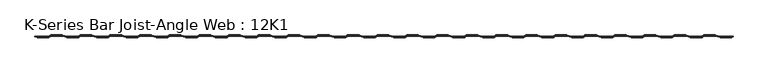
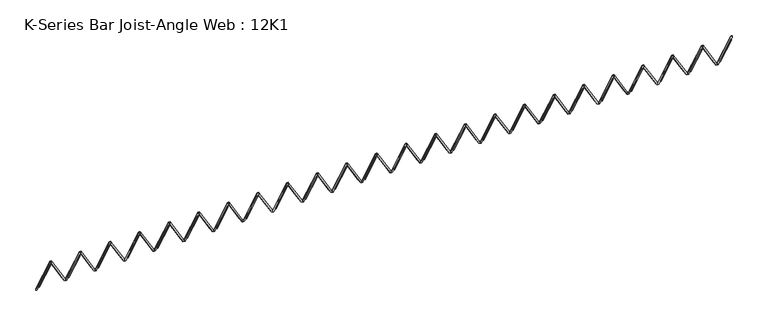
"""IFC4 building model written with IfcOpenShell, lengths in millimetres: beam geometry, K-Series Bar Joist-Angle Web : 12K1."""

from ifc_helpers import new_model, si_unit, frame, origin, place, context, project, spatial, polyline, outline, extrude, faceted_brep, source, transform, mapped, element, save


def k_series_bar_joist_angle_web_12k1_2a9294c6(model_context):
    return source(origin(), model_context, "Body", "SolidModel", [
        faceted_brep([(-2980.9807229, 0.0, -130.175), (-2980.9807229, 0.0, -149.225), (-2980.9807229, -4.7625, -149.225), (-2980.9807229, -4.7625, -130.175), (-2980.1072119, 0.0, -130.175), (-2817.4554047, 0.0, 149.225), (-2799.2789157, 0.0, 149.225), (-2799.2789157, 0.0, 130.175), (-2806.5024267, 0.0, 130.175), (-2969.1542339, 0.0, -149.225), (-2969.1542339, -4.7625, -149.225), (-2948.822758, -4.7625, -114.3), (-2952.938629, -4.7625, -111.903959), (-2819.8598776, -4.7625, 116.696041), (-2815.7440066, -4.7625, 114.3), (-2806.5024267, -4.7625, 130.175), (-2799.2789157, -4.7625, 130.175), (-2799.2789157, -4.7625, 149.225), (-2817.4554047, -4.7625, 149.225), (-2980.1072119, -4.7625, -130.175), (-2815.7440066, -17.4625, 114.3), (-2948.822758, -17.4625, -114.3), (-2952.938629, -17.4625, -111.903959), (-2819.8598776, -17.4625, 116.696041)], [[[0, 1, 2, 3]], [[1, 0, 4, 5, 6, 7, 8, 9]], [[2, 1, 9, 10]], [[3, 2, 10, 11, 12, 13, 14, 15, 16, 17, 18, 19]], [[0, 3, 19, 4]], [[9, 8, 15, 14, 20, 21, 11, 10]], [[5, 4, 19, 18]], [[7, 6, 17, 16]], [[8, 7, 16, 15]], [[6, 5, 18, 17]], [[21, 22, 12, 11]], [[20, 14, 13, 23]], [[22, 21, 20, 23]], [[12, 22, 23, 13]]]),
        extrude(outline(polyline([(-4.7625, 4.7625), (-4.7625, 0.0), (-17.4625, 0.0), (-17.4625, 4.7625), (-4.7625, 4.7625)])), frame((-3013.1386878, 0.0, -114.3), z_axis=(-0.5031057189221613, 0.0, 0.8642248755895744), x_axis=(0.0, -1.0, 0.0)), (0.0, 0.0, 1.0), 264.5144874),
        extrude(outline(polyline([(-149.225, -2980.9807229), (-130.175, -2980.9807229), (-130.175, -2981.8542339), (149.225, -3144.5060411), (149.225, -3162.6825301), (130.175, -3162.6825301), (130.175, -3155.4590191), (-149.225, -2992.8072119), (-149.225, -2980.9807229)])), frame((0.0, 0.0, 0.0), z_axis=(0.0, 1.0, 0.0), x_axis=(0.0, 0.0, 1.0)), (0.0, 0.0, 1.0), 4.7625),
        faceted_brep([(-3331.6843373, 0.0, -130.175), (-3331.6843373, 0.0, -149.225), (-3331.6843373, -4.7625, -149.225), (-3331.6843373, -4.7625, -130.175), (-3330.8108264, 0.0, -130.175), (-3168.1590191, 0.0, 149.225), (-3149.9825301, 0.0, 149.225), (-3149.9825301, 0.0, 130.175), (-3157.2060411, 0.0, 130.175), (-3319.8578483, 0.0, -149.225), (-3319.8578483, -4.7625, -149.225), (-3299.5263724, -4.7625, -114.3), (-3303.6422434, -4.7625, -111.903959), (-3170.563492, -4.7625, 116.696041), (-3166.4476211, -4.7625, 114.3), (-3157.2060411, -4.7625, 130.175), (-3149.9825301, -4.7625, 130.175), (-3149.9825301, -4.7625, 149.225), (-3168.1590191, -4.7625, 149.225), (-3330.8108264, -4.7625, -130.175), (-3166.4476211, -17.4625, 114.3), (-3299.5263724, -17.4625, -114.3), (-3303.6422434, -17.4625, -111.903959), (-3170.563492, -17.4625, 116.696041)], [[[0, 1, 2, 3]], [[1, 0, 4, 5, 6, 7, 8, 9]], [[2, 1, 9, 10]], [[3, 2, 10, 11, 12, 13, 14, 15, 16, 17, 18, 19]], [[0, 3, 19, 4]], [[9, 8, 15, 14, 20, 21, 11, 10]], [[5, 4, 19, 18]], [[7, 6, 17, 16]], [[8, 7, 16, 15]], [[6, 5, 18, 17]], [[21, 22, 12, 11]], [[20, 14, 13, 23]], [[22, 21, 20, 23]], [[12, 22, 23, 13]]]),
        extrude(outline(polyline([(-4.7625, 4.7625), (-4.7625, 0.0), (-17.4625, 0.0), (-17.4625, 4.7625), (-4.7625, 4.7625)])), frame((-3363.8423023, 0.0, -114.3), z_axis=(-0.5031057189221613, 0.0, 0.8642248755895744), x_axis=(0.0, -1.0, 0.0)), (0.0, 0.0, 1.0), 264.5144874),
        extrude(outline(polyline([(-149.225, -3331.6843373), (-130.175, -3331.6843373), (-130.175, -3332.5578483), (149.225, -3495.2096556), (149.225, -3513.3861446), (130.175, -3513.3861446), (130.175, -3506.1626336), (-149.225, -3343.5108264), (-149.225, -3331.6843373)])), frame((0.0, 0.0, 0.0), z_axis=(0.0, 1.0, 0.0), x_axis=(0.0, 0.0, 1.0)), (0.0, 0.0, 1.0), 4.7625),
        faceted_brep([(-3682.3879518, 0.0, -130.175), (-3682.3879518, 0.0, -149.225), (-3682.3879518, -4.7625, -149.225), (-3682.3879518, -4.7625, -130.175), (-3681.5144408, 0.0, -130.175), (-3518.8626336, 0.0, 149.225), (-3500.6861446, 0.0, 149.225), (-3500.6861446, 0.0, 130.175), (-3507.9096556, 0.0, 130.175), (-3670.5614628, 0.0, -149.225), (-3670.5614628, -4.7625, -149.225), (-3650.2299869, -4.7625, -114.3), (-3654.3458579, -4.7625, -111.903959), (-3521.2671065, -4.7625, 116.696041), (-3517.1512355, -4.7625, 114.3), (-3507.9096556, -4.7625, 130.175), (-3500.6861446, -4.7625, 130.175), (-3500.6861446, -4.7625, 149.225), (-3518.8626336, -4.7625, 149.225), (-3681.5144408, -4.7625, -130.175), (-3517.1512355, -17.4625, 114.3), (-3650.2299869, -17.4625, -114.3), (-3654.3458579, -17.4625, -111.903959), (-3521.2671065, -17.4625, 116.696041)], [[[0, 1, 2, 3]], [[1, 0, 4, 5, 6, 7, 8, 9]], [[2, 1, 9, 10]], [[3, 2, 10, 11, 12, 13, 14, 15, 16, 17, 18, 19]], [[0, 3, 19, 4]], [[9, 8, 15, 14, 20, 21, 11, 10]], [[5, 4, 19, 18]], [[7, 6, 17, 16]], [[8, 7, 16, 15]], [[6, 5, 18, 17]], [[21, 22, 12, 11]], [[20, 14, 13, 23]], [[22, 21, 20, 23]], [[12, 22, 23, 13]]]),
        extrude(outline(polyline([(-4.7625, 4.7625), (-4.7625, 0.0), (-17.4625, 0.0), (-17.4625, 4.7625), (-4.7625, 4.7625)])), frame((-3714.5459167, 0.0, -114.3), z_axis=(-0.5031057189221613, 0.0, 0.8642248755895744), x_axis=(0.0, -1.0, 0.0)), (0.0, 0.0, 1.0), 264.5144874),
        extrude(outline(polyline([(-149.225, -3682.3879518), (-130.175, -3682.3879518), (-130.175, -3683.2614628), (149.225, -3845.91327), (149.225, -3864.089759), (130.175, -3864.089759), (130.175, -3856.866248), (-149.225, -3694.2144408), (-149.225, -3682.3879518)])), frame((0.0, 0.0, 0.0), z_axis=(0.0, 1.0, 0.0), x_axis=(0.0, 0.0, 1.0)), (0.0, 0.0, 1.0), 4.7625),
        faceted_brep([(-4033.0915663, 0.0, -130.175), (-4033.0915663, 0.0, -149.225), (-4033.0915663, -4.7625, -149.225), (-4033.0915663, -4.7625, -130.175), (-4032.2180553, 0.0, -130.175), (-3869.566248, 0.0, 149.225), (-3851.389759, 0.0, 149.225), (-3851.389759, 0.0, 130.175), (-3858.61327, 0.0, 130.175), (-4021.2650773, 0.0, -149.225), (-4021.2650773, -4.7625, -149.225), (-4000.9336014, -4.7625, -114.3), (-4005.0494723, -4.7625, -111.903959), (-3871.970721, -4.7625, 116.696041), (-3867.85485, -4.7625, 114.3), (-3858.61327, -4.7625, 130.175), (-3851.389759, -4.7625, 130.175), (-3851.389759, -4.7625, 149.225), (-3869.566248, -4.7625, 149.225), (-4032.2180553, -4.7625, -130.175), (-3867.85485, -17.4625, 114.3), (-4000.9336014, -17.4625, -114.3), (-4005.0494723, -17.4625, -111.903959), (-3871.970721, -17.4625, 116.696041)], [[[0, 1, 2, 3]], [[1, 0, 4, 5, 6, 7, 8, 9]], [[2, 1, 9, 10]], [[3, 2, 10, 11, 12, 13, 14, 15, 16, 17, 18, 19]], [[0, 3, 19, 4]], [[9, 8, 15, 14, 20, 21, 11, 10]], [[5, 4, 19, 18]], [[7, 6, 17, 16]], [[8, 7, 16, 15]], [[6, 5, 18, 17]], [[21, 22, 12, 11]], [[20, 14, 13, 23]], [[22, 21, 20, 23]], [[12, 22, 23, 13]]]),
        extrude(outline(polyline([(-4.7625, 4.7625), (-4.7625, 0.0), (-17.4625, 0.0), (-17.4625, 4.7625), (-4.7625, 4.7625)])), frame((-4065.2495312, 0.0, -114.3), z_axis=(-0.5031057189221613, 0.0, 0.8642248755895744), x_axis=(0.0, -1.0, 0.0)), (0.0, 0.0, 1.0), 264.5144874),
        extrude(outline(polyline([(-149.225, -4033.0915663), (-130.175, -4033.0915663), (-130.175, -4033.9650773), (149.225, -4196.6168845), (149.225, -4214.7933735), (130.175, -4214.7933735), (130.175, -4207.5698625), (-149.225, -4044.9180553), (-149.225, -4033.0915663)])), frame((0.0, 0.0, 0.0), z_axis=(0.0, 1.0, 0.0), x_axis=(0.0, 0.0, 1.0)), (0.0, 0.0, 1.0), 4.7625),
        faceted_brep([(-4383.7951807, 0.0, -130.175), (-4383.7951807, 0.0, -149.225), (-4383.7951807, -4.7625, -149.225), (-4383.7951807, -4.7625, -130.175), (-4382.9216697, 0.0, -130.175), (-4220.2698625, 0.0, 149.225), (-4202.0933735, 0.0, 149.225), (-4202.0933735, 0.0, 130.175), (-4209.3168845, 0.0, 130.175), (-4371.9686917, 0.0, -149.225), (-4371.9686917, -4.7625, -149.225), (-4351.6372158, -4.7625, -114.3), (-4355.7530868, -4.7625, -111.903959), (-4222.6743354, -4.7625, 116.696041), (-4218.5584644, -4.7625, 114.3), (-4209.3168845, -4.7625, 130.175), (-4202.0933735, -4.7625, 130.175), (-4202.0933735, -4.7625, 149.225), (-4220.2698625, -4.7625, 149.225), (-4382.9216697, -4.7625, -130.175), (-4218.5584644, -17.4625, 114.3), (-4351.6372158, -17.4625, -114.3), (-4355.7530868, -17.4625, -111.903959), (-4222.6743354, -17.4625, 116.696041)], [[[0, 1, 2, 3]], [[1, 0, 4, 5, 6, 7, 8, 9]], [[2, 1, 9, 10]], [[3, 2, 10, 11, 12, 13, 14, 15, 16, 17, 18, 19]], [[0, 3, 19, 4]], [[9, 8, 15, 14, 20, 21, 11, 10]], [[5, 4, 19, 18]], [[7, 6, 17, 16]], [[8, 7, 16, 15]], [[6, 5, 18, 17]], [[21, 22, 12, 11]], [[20, 14, 13, 23]], [[22, 21, 20, 23]], [[12, 22, 23, 13]]]),
        extrude(outline(polyline([(-4.7625, 4.7624999), (-4.7625, 0.0), (-17.4625, 0.0), (-17.4625, 4.7624999), (-4.7625, 4.7624999)])), frame((-4415.9531456, 0.0, -114.3), z_axis=(-0.5031057189221613, 0.0, 0.8642248755895744), x_axis=(0.0, -1.0, 0.0)), (0.0, 0.0, 1.0), 264.5144874),
        extrude(outline(polyline([(-149.225, -4383.7951807), (-130.175, -4383.7951807), (-130.175, -4384.6686917), (149.225, -4547.3204989), (149.225, -4565.496988), (130.175, -4565.496988), (130.175, -4558.273477), (-149.225, -4395.6216697), (-149.225, -4383.7951807)])), frame((0.0, 0.0, 0.0), z_axis=(0.0, 1.0, 0.0), x_axis=(0.0, 0.0, 1.0)), (0.0, 0.0, 1.0), 4.7625),
        faceted_brep([(-4734.4987952, 0.0, -130.175), (-4734.4987952, 0.0, -149.225), (-4734.4987952, -4.7625, -149.225), (-4734.4987952, -4.7625, -130.175), (-4733.6252842, 0.0, -130.175), (-4570.973477, 0.0, 149.225), (-4552.796988, 0.0, 149.225), (-4552.796988, 0.0, 130.175), (-4560.0204989, 0.0, 130.175), (-4722.6723062, 0.0, -149.225), (-4722.6723062, -4.7625, -149.225), (-4702.3408303, -4.7625, -114.3), (-4706.4567012, -4.7625, -111.903959), (-4573.3779499, -4.7625, 116.696041), (-4569.2620789, -4.7625, 114.3), (-4560.0204989, -4.7625, 130.175), (-4552.796988, -4.7625, 130.175), (-4552.796988, -4.7625, 149.225), (-4570.973477, -4.7625, 149.225), (-4733.6252842, -4.7625, -130.175), (-4569.2620789, -17.4625, 114.3), (-4702.3408303, -17.4625, -114.3), (-4706.4567012, -17.4625, -111.903959), (-4573.3779499, -17.4625, 116.696041)], [[[0, 1, 2, 3]], [[1, 0, 4, 5, 6, 7, 8, 9]], [[2, 1, 9, 10]], [[3, 2, 10, 11, 12, 13, 14, 15, 16, 17, 18, 19]], [[0, 3, 19, 4]], [[9, 8, 15, 14, 20, 21, 11, 10]], [[5, 4, 19, 18]], [[7, 6, 17, 16]], [[8, 7, 16, 15]], [[6, 5, 18, 17]], [[21, 22, 12, 11]], [[20, 14, 13, 23]], [[22, 21, 20, 23]], [[12, 22, 23, 13]]]),
        extrude(outline(polyline([(-4.7625, 4.7625), (-4.7625, 0.0), (-17.4625, 0.0), (-17.4625, 4.7625), (-4.7625, 4.7625)])), frame((-4766.6567601, 0.0, -114.3), z_axis=(-0.5031057189221613, 0.0, 0.8642248755895744), x_axis=(0.0, -1.0, 0.0)), (0.0, 0.0, 1.0), 264.5144874),
        extrude(outline(polyline([(-149.225, -4734.4987952), (-130.175, -4734.4987952), (-130.175, -4735.3723062), (149.225, -4898.0241134), (149.225, -4916.2006024), (130.175, -4916.2006024), (130.175, -4908.9770914), (-149.225, -4746.3252842), (-149.225, -4734.4987952)])), frame((0.0, 0.0, 0.0), z_axis=(0.0, 1.0, 0.0), x_axis=(0.0, 0.0, 1.0)), (0.0, 0.0, 1.0), 4.7625),
        faceted_brep([(-5085.2024096, 0.0, -130.175), (-5085.2024096, 0.0, -149.225), (-5085.2024096, -4.7625, -149.225), (-5085.2024096, -4.7625, -130.175), (-5084.3288986, 0.0, -130.175), (-4921.6770914, 0.0, 149.225), (-4903.5006024, 0.0, 149.225), (-4903.5006024, 0.0, 130.175), (-4910.7241134, 0.0, 130.175), (-5073.3759206, 0.0, -149.225), (-5073.3759206, -4.7625, -149.225), (-5053.0444447, -4.7625, -114.3), (-5057.1603157, -4.7625, -111.903959), (-4924.0815643, -4.7625, 116.696041), (-4919.9656934, -4.7625, 114.3), (-4910.7241134, -4.7625, 130.175), (-4903.5006024, -4.7625, 130.175), (-4903.5006024, -4.7625, 149.225), (-4921.6770914, -4.7625, 149.225), (-5084.3288986, -4.7625, -130.175), (-4919.9656934, -17.4625, 114.3), (-5053.0444447, -17.4625, -114.3), (-5057.1603157, -17.4625, -111.903959), (-4924.0815643, -17.4625, 116.696041)], [[[0, 1, 2, 3]], [[1, 0, 4, 5, 6, 7, 8, 9]], [[2, 1, 9, 10]], [[3, 2, 10, 11, 12, 13, 14, 15, 16, 17, 18, 19]], [[0, 3, 19, 4]], [[9, 8, 15, 14, 20, 21, 11, 10]], [[5, 4, 19, 18]], [[7, 6, 17, 16]], [[8, 7, 16, 15]], [[6, 5, 18, 17]], [[21, 22, 12, 11]], [[20, 14, 13, 23]], [[22, 21, 20, 23]], [[12, 22, 23, 13]]]),
        extrude(outline(polyline([(-4.7625, 4.7624999), (-4.7625, 0.0), (-17.4625, 0.0), (-17.4625, 4.7624999), (-4.7625, 4.7624999)])), frame((-5117.3603745, 0.0, -114.3), z_axis=(-0.5031057189221613, 0.0, 0.8642248755895744), x_axis=(0.0, -1.0, 0.0)), (0.0, 0.0, 1.0), 264.5144874),
        extrude(outline(polyline([(-149.225, -5085.2024096), (-130.175, -5085.2024096), (-130.175, -5086.0759206), (149.225, -5248.7277279), (149.225, -5266.9042169), (130.175, -5266.9042169), (130.175, -5259.6807059), (-149.225, -5097.0288986), (-149.225, -5085.2024096)])), frame((0.0, 0.0, 0.0), z_axis=(0.0, 1.0, 0.0), x_axis=(0.0, 0.0, 1.0)), (0.0, 0.0, 1.0), 4.7625),
        faceted_brep([(-5435.9060241, 0.0, -130.175), (-5435.9060241, 0.0, -149.225), (-5435.9060241, -4.7625, -149.225), (-5435.9060241, -4.7625, -130.175), (-5435.0325131, 0.0, -130.175), (-5272.3807059, 0.0, 149.225), (-5254.2042169, 0.0, 149.225), (-5254.2042169, 0.0, 130.175), (-5261.4277279, 0.0, 130.175), (-5424.0795351, 0.0, -149.225), (-5424.0795351, -4.7625, -149.225), (-5403.7480592, -4.7625, -114.3), (-5407.8639302, -4.7625, -111.903959), (-5274.7851788, -4.7625, 116.696041), (-5270.6693078, -4.7625, 114.3), (-5261.4277279, -4.7625, 130.175), (-5254.2042169, -4.7625, 130.175), (-5254.2042169, -4.7625, 149.225), (-5272.3807059, -4.7625, 149.225), (-5435.0325131, -4.7625, -130.175), (-5270.6693078, -17.4625, 114.3), (-5403.7480592, -17.4625, -114.3), (-5407.8639302, -17.4625, -111.903959), (-5274.7851788, -17.4625, 116.696041)], [[[0, 1, 2, 3]], [[1, 0, 4, 5, 6, 7, 8, 9]], [[2, 1, 9, 10]], [[3, 2, 10, 11, 12, 13, 14, 15, 16, 17, 18, 19]], [[0, 3, 19, 4]], [[9, 8, 15, 14, 20, 21, 11, 10]], [[5, 4, 19, 18]], [[7, 6, 17, 16]], [[8, 7, 16, 15]], [[6, 5, 18, 17]], [[21, 22, 12, 11]], [[20, 14, 13, 23]], [[22, 21, 20, 23]], [[12, 22, 23, 13]]]),
        extrude(outline(polyline([(-4.7625, 4.7625), (-4.7625, 0.0), (-17.4625, 0.0), (-17.4625, 4.7625), (-4.7625, 4.7625)])), frame((-5468.063989, 0.0, -114.3), z_axis=(-0.5031057189221613, 0.0, 0.8642248755895744), x_axis=(0.0, -1.0, 0.0)), (0.0, 0.0, 1.0), 264.5144874),
        extrude(outline(polyline([(-149.225, -5435.9060241), (-130.175, -5435.9060241), (-130.175, -5436.7795351), (149.225, -5599.4313423), (149.225, -5617.6078313), (130.175, -5617.6078313), (130.175, -5610.3843203), (-149.225, -5447.7325131), (-149.225, -5435.9060241)])), frame((0.0, 0.0, 0.0), z_axis=(0.0, 1.0, 0.0), x_axis=(0.0, 0.0, 1.0)), (0.0, 0.0, 1.0), 4.7625),
        faceted_brep([(-5786.6096386, 0.0, -130.175), (-5786.6096386, 0.0, -149.225), (-5786.6096386, -4.7625, -149.225), (-5786.6096386, -4.7625, -130.175), (-5785.7361276, 0.0, -130.175), (-5623.0843203, 0.0, 149.225), (-5604.9078313, 0.0, 149.225), (-5604.9078313, 0.0, 130.175), (-5612.1313423, 0.0, 130.175), (-5774.7831496, 0.0, -149.225), (-5774.7831496, -4.7625, -149.225), (-5754.4516736, -4.7625, -114.3), (-5758.5675446, -4.7625, -111.903959), (-5625.4887932, -4.7625, 116.696041), (-5621.3729223, -4.7625, 114.3), (-5612.1313423, -4.7625, 130.175), (-5604.9078313, -4.7625, 130.175), (-5604.9078313, -4.7625, 149.225), (-5623.0843203, -4.7625, 149.225), (-5785.7361276, -4.7625, -130.175), (-5621.3729223, -17.4625, 114.3), (-5754.4516736, -17.4625, -114.3), (-5758.5675446, -17.4625, -111.903959), (-5625.4887932, -17.4625, 116.696041)], [[[0, 1, 2, 3]], [[1, 0, 4, 5, 6, 7, 8, 9]], [[2, 1, 9, 10]], [[3, 2, 10, 11, 12, 13, 14, 15, 16, 17, 18, 19]], [[0, 3, 19, 4]], [[9, 8, 15, 14, 20, 21, 11, 10]], [[5, 4, 19, 18]], [[7, 6, 17, 16]], [[8, 7, 16, 15]], [[6, 5, 18, 17]], [[21, 22, 12, 11]], [[20, 14, 13, 23]], [[22, 21, 20, 23]], [[12, 22, 23, 13]]]),
        extrude(outline(polyline([(-4.7625, 4.7625), (-4.7625, 0.0), (-17.4625, 0.0), (-17.4625, 4.7625), (-4.7625, 4.7625)])), frame((-5818.7676035, 0.0, -114.3), z_axis=(-0.5031057189221613, 0.0, 0.8642248755895744), x_axis=(0.0, -1.0, 0.0)), (0.0, 0.0, 1.0), 264.5144874),
        extrude(outline(polyline([(-149.225, -5786.6096386), (-130.175, -5786.6096386), (-130.175, -5787.4831496), (149.225, -5950.1349568), (149.225, -5968.3114458), (130.175, -5968.3114458), (130.175, -5961.0879348), (-149.225, -5798.4361276), (-149.225, -5786.6096386)])), frame((0.0, 0.0, 0.0), z_axis=(0.0, 1.0, 0.0), x_axis=(0.0, 0.0, 1.0)), (0.0, 0.0, 1.0), 4.7625),
        faceted_brep([(-6137.313253, 0.0, -130.175), (-6137.313253, 0.0, -149.225), (-6137.313253, -4.7625, -149.225), (-6137.313253, -4.7625, -130.175), (-6136.439742, 0.0, -130.175), (-5973.7879348, 0.0, 149.225), (-5955.6114458, 0.0, 149.225), (-5955.6114458, 0.0, 130.175), (-5962.8349568, 0.0, 130.175), (-6125.486764, 0.0, -149.225), (-6125.486764, -4.7625, -149.225), (-6105.1552881, -4.7625, -114.3), (-6109.2711591, -4.7625, -111.903959), (-5976.1924077, -4.7625, 116.696041), (-5972.0765367, -4.7625, 114.3), (-5962.8349568, -4.7625, 130.175), (-5955.6114458, -4.7625, 130.175), (-5955.6114458, -4.7625, 149.225), (-5973.7879348, -4.7625, 149.225), (-6136.439742, -4.7625, -130.175), (-5972.0765367, -17.4625, 114.3), (-6105.1552881, -17.4625, -114.3), (-6109.2711591, -17.4625, -111.903959), (-5976.1924077, -17.4625, 116.696041)], [[[0, 1, 2, 3]], [[1, 0, 4, 5, 6, 7, 8, 9]], [[2, 1, 9, 10]], [[3, 2, 10, 11, 12, 13, 14, 15, 16, 17, 18, 19]], [[0, 3, 19, 4]], [[9, 8, 15, 14, 20, 21, 11, 10]], [[5, 4, 19, 18]], [[7, 6, 17, 16]], [[8, 7, 16, 15]], [[6, 5, 18, 17]], [[21, 22, 12, 11]], [[20, 14, 13, 23]], [[22, 21, 20, 23]], [[12, 22, 23, 13]]]),
        extrude(outline(polyline([(-4.7625, 4.7625), (-4.7625, 0.0), (-17.4625, 0.0), (-17.4625, 4.7625), (-4.7625, 4.7625)])), frame((-6169.4712179, 0.0, -114.3), z_axis=(-0.5031057189221613, 0.0, 0.8642248755895744), x_axis=(0.0, -1.0, 0.0)), (0.0, 0.0, 1.0), 264.5144874),
        extrude(outline(polyline([(-149.225, -6137.313253), (-130.175, -6137.313253), (-130.175, -6138.186764), (149.225, -6300.8385712), (149.225, -6319.0150602), (130.175, -6319.0150602), (130.175, -6311.7915492), (-149.225, -6149.139742), (-149.225, -6137.313253)])), frame((0.0, 0.0, 0.0), z_axis=(0.0, 1.0, 0.0), x_axis=(0.0, 0.0, 1.0)), (0.0, 0.0, 1.0), 4.7625),
        faceted_brep([(-6488.0168675, 0.0, -130.175), (-6488.0168675, 0.0, -149.225), (-6488.0168675, -4.7625, -149.225), (-6488.0168675, -4.7625, -130.175), (-6487.1433565, 0.0, -130.175), (-6324.4915492, 0.0, 149.225), (-6306.3150602, 0.0, 149.225), (-6306.3150602, 0.0, 130.175), (-6313.5385712, 0.0, 130.175), (-6476.1903785, 0.0, -149.225), (-6476.1903785, -4.7625, -149.225), (-6455.8589026, -4.7625, -114.3), (-6459.9747735, -4.7625, -111.903959), (-6326.8960222, -4.7625, 116.696041), (-6322.7801512, -4.7625, 114.3), (-6313.5385712, -4.7625, 130.175), (-6306.3150602, -4.7625, 130.175), (-6306.3150602, -4.7625, 149.225), (-6324.4915492, -4.7625, 149.225), (-6487.1433565, -4.7625, -130.175), (-6322.7801512, -17.4625, 114.3), (-6455.8589026, -17.4625, -114.3), (-6459.9747735, -17.4625, -111.903959), (-6326.8960222, -17.4625, 116.696041)], [[[0, 1, 2, 3]], [[1, 0, 4, 5, 6, 7, 8, 9]], [[2, 1, 9, 10]], [[3, 2, 10, 11, 12, 13, 14, 15, 16, 17, 18, 19]], [[0, 3, 19, 4]], [[9, 8, 15, 14, 20, 21, 11, 10]], [[5, 4, 19, 18]], [[7, 6, 17, 16]], [[8, 7, 16, 15]], [[6, 5, 18, 17]], [[21, 22, 12, 11]], [[20, 14, 13, 23]], [[22, 21, 20, 23]], [[12, 22, 23, 13]]]),
        extrude(outline(polyline([(-4.7625, 4.7625), (-4.7625, 0.0), (-17.4625, 0.0), (-17.4625, 4.7625), (-4.7625, 4.7625)])), frame((-6520.1748324, 0.0, -114.3), z_axis=(-0.5031057189221613, 0.0, 0.8642248755895744), x_axis=(0.0, -1.0, 0.0)), (0.0, 0.0, 1.0), 264.5144874),
        extrude(outline(polyline([(-149.225, -6488.0168675), (-130.175, -6488.0168675), (-130.175, -6488.8903785), (149.225, -6651.5421857), (149.225, -6669.7186747), (130.175, -6669.7186747), (130.175, -6662.4951637), (-149.225, -6499.8433565), (-149.225, -6488.0168675)])), frame((0.0, 0.0, 0.0), z_axis=(0.0, 1.0, 0.0), x_axis=(0.0, 0.0, 1.0)), (0.0, 0.0, 1.0), 4.7625),
        faceted_brep([(-6838.7204819, 0.0, -130.175), (-6838.7204819, 0.0, -149.225), (-6838.7204819, -4.7625, -149.225), (-6838.7204819, -4.7625, -130.175), (-6837.8469709, 0.0, -130.175), (-6675.1951637, 0.0, 149.225), (-6657.0186747, 0.0, 149.225), (-6657.0186747, 0.0, 130.175), (-6664.2421857, 0.0, 130.175), (-6826.8939929, 0.0, -149.225), (-6826.8939929, -4.7625, -149.225), (-6806.562517, -4.7625, -114.3), (-6810.678388, -4.7625, -111.903959), (-6677.5996366, -4.7625, 116.696041), (-6673.4837657, -4.7625, 114.3), (-6664.2421857, -4.7625, 130.175), (-6657.0186747, -4.7625, 130.175), (-6657.0186747, -4.7625, 149.225), (-6675.1951637, -4.7625, 149.225), (-6837.8469709, -4.7625, -130.175), (-6673.4837657, -17.4625, 114.3), (-6806.562517, -17.4625, -114.3), (-6810.678388, -17.4625, -111.903959), (-6677.5996366, -17.4625, 116.696041)], [[[0, 1, 2, 3]], [[1, 0, 4, 5, 6, 7, 8, 9]], [[2, 1, 9, 10]], [[3, 2, 10, 11, 12, 13, 14, 15, 16, 17, 18, 19]], [[0, 3, 19, 4]], [[9, 8, 15, 14, 20, 21, 11, 10]], [[5, 4, 19, 18]], [[7, 6, 17, 16]], [[8, 7, 16, 15]], [[6, 5, 18, 17]], [[21, 22, 12, 11]], [[20, 14, 13, 23]], [[22, 21, 20, 23]], [[12, 22, 23, 13]]]),
        extrude(outline(polyline([(-4.7625, 4.7624999), (-4.7625, 0.0), (-17.4625, 0.0), (-17.4625, 4.7624999), (-4.7625, 4.7624999)])), frame((-6870.8784468, 0.0, -114.3), z_axis=(-0.5031057189221613, 0.0, 0.8642248755895744), x_axis=(0.0, -1.0, 0.0)), (0.0, 0.0, 1.0), 264.5144874),
        extrude(outline(polyline([(-149.225, -6838.7204819), (-130.175, -6838.7204819), (-130.175, -6839.5939929), (149.225, -7002.2458002), (149.225, -7020.4222892), (130.175, -7020.4222892), (130.175, -7013.1987782), (-149.225, -6850.5469709), (-149.225, -6838.7204819)])), frame((0.0, 0.0, 0.0), z_axis=(0.0, 1.0, 0.0), x_axis=(0.0, 0.0, 1.0)), (0.0, 0.0, 1.0), 4.7625),
        faceted_brep([(-7189.4240964, 0.0, -130.175), (-7189.4240964, 0.0, -149.225), (-7189.4240964, -4.7625, -149.225), (-7189.4240964, -4.7625, -130.175), (-7188.5505854, 0.0, -130.175), (-7025.8987782, 0.0, 149.225), (-7007.7222892, 0.0, 149.225), (-7007.7222892, 0.0, 130.175), (-7014.9458002, 0.0, 130.175), (-7177.5976074, 0.0, -149.225), (-7177.5976074, -4.7625, -149.225), (-7157.2661315, -4.7625, -114.3), (-7161.3820024, -4.7625, -111.903959), (-7028.3032511, -4.7625, 116.696041), (-7024.1873801, -4.7625, 114.3), (-7014.9458002, -4.7625, 130.175), (-7007.7222892, -4.7625, 130.175), (-7007.7222892, -4.7625, 149.225), (-7025.8987782, -4.7625, 149.225), (-7188.5505854, -4.7625, -130.175), (-7024.1873801, -17.4625, 114.3), (-7157.2661315, -17.4625, -114.3), (-7161.3820024, -17.4625, -111.903959), (-7028.3032511, -17.4625, 116.696041)], [[[0, 1, 2, 3]], [[1, 0, 4, 5, 6, 7, 8, 9]], [[2, 1, 9, 10]], [[3, 2, 10, 11, 12, 13, 14, 15, 16, 17, 18, 19]], [[0, 3, 19, 4]], [[9, 8, 15, 14, 20, 21, 11, 10]], [[5, 4, 19, 18]], [[7, 6, 17, 16]], [[8, 7, 16, 15]], [[6, 5, 18, 17]], [[21, 22, 12, 11]], [[20, 14, 13, 23]], [[22, 21, 20, 23]], [[12, 22, 23, 13]]]),
        extrude(outline(polyline([(-4.7625, 4.7625), (-4.7625, 0.0), (-17.4625, 0.0), (-17.4625, 4.7625), (-4.7625, 4.7625)])), frame((-7221.5820613, 0.0, -114.3), z_axis=(-0.5031057189221613, 0.0, 0.8642248755895744), x_axis=(0.0, -1.0, 0.0)), (0.0, 0.0, 1.0), 264.5144874),
        extrude(outline(polyline([(-149.225, -7189.4240964), (-130.175, -7189.4240964), (-130.175, -7190.2976074), (149.225, -7352.9494146), (149.225, -7371.1259036), (130.175, -7371.1259036), (130.175, -7363.9023926), (-149.225, -7201.2505854), (-149.225, -7189.4240964)])), frame((0.0, 0.0, 0.0), z_axis=(0.0, 1.0, 0.0), x_axis=(0.0, 0.0, 1.0)), (0.0, 0.0, 1.0), 4.7625),
        faceted_brep([(-7540.1277108, 0.0, -130.175), (-7540.1277108, 0.0, -149.225), (-7540.1277108, -4.7625, -149.225), (-7540.1277108, -4.7625, -130.175), (-7539.2541998, 0.0, -130.175), (-7376.6023926, 0.0, 149.225), (-7358.4259036, 0.0, 149.225), (-7358.4259036, 0.0, 130.175), (-7365.6494146, 0.0, 130.175), (-7528.3012218, 0.0, -149.225), (-7528.3012218, -4.7625, -149.225), (-7507.9697459, -4.7625, -114.3), (-7512.0856169, -4.7625, -111.903959), (-7379.0068655, -4.7625, 116.696041), (-7374.8909946, -4.7625, 114.3), (-7365.6494146, -4.7625, 130.175), (-7358.4259036, -4.7625, 130.175), (-7358.4259036, -4.7625, 149.225), (-7376.6023926, -4.7625, 149.225), (-7539.2541998, -4.7625, -130.175), (-7374.8909946, -17.4625, 114.3), (-7507.9697459, -17.4625, -114.3), (-7512.0856169, -17.4625, -111.903959), (-7379.0068655, -17.4625, 116.696041)], [[[0, 1, 2, 3]], [[1, 0, 4, 5, 6, 7, 8, 9]], [[2, 1, 9, 10]], [[3, 2, 10, 11, 12, 13, 14, 15, 16, 17, 18, 19]], [[0, 3, 19, 4]], [[9, 8, 15, 14, 20, 21, 11, 10]], [[5, 4, 19, 18]], [[7, 6, 17, 16]], [[8, 7, 16, 15]], [[6, 5, 18, 17]], [[21, 22, 12, 11]], [[20, 14, 13, 23]], [[22, 21, 20, 23]], [[12, 22, 23, 13]]]),
        extrude(outline(polyline([(-4.7625, 4.7624999), (-4.7625, 0.0), (-17.4625, 0.0), (-17.4625, 4.7624999), (-4.7625, 4.7624999)])), frame((-7572.2856757, 0.0, -114.3), z_axis=(-0.5031057189221613, 0.0, 0.8642248755895744), x_axis=(0.0, -1.0, 0.0)), (0.0, 0.0, 1.0), 264.5144874),
        extrude(outline(polyline([(-149.225, -7540.1277108), (-130.175, -7540.1277108), (-130.175, -7541.0012218), (149.225, -7703.6530291), (149.225, -7721.8295181), (130.175, -7721.8295181), (130.175, -7714.6060071), (-149.225, -7551.9541998), (-149.225, -7540.1277108)])), frame((0.0, 0.0, 0.0), z_axis=(0.0, 1.0, 0.0), x_axis=(0.0, 0.0, 1.0)), (0.0, 0.0, 1.0), 4.7625),
        faceted_brep([(-7890.8313253, 0.0, -130.175), (-7890.8313253, 0.0, -149.225), (-7890.8313253, -4.7625, -149.225), (-7890.8313253, -4.7625, -130.175), (-7889.9578143, 0.0, -130.175), (-7727.3060071, 0.0, 149.225), (-7709.1295181, 0.0, 149.225), (-7709.1295181, 0.0, 130.175), (-7716.3530291, 0.0, 130.175), (-7879.0048363, 0.0, -149.225), (-7879.0048363, -4.7625, -149.225), (-7858.6733604, -4.7625, -114.3), (-7862.7892314, -4.7625, -111.903959), (-7729.71048, -4.7625, 116.696041), (-7725.594609, -4.7625, 114.3), (-7716.3530291, -4.7625, 130.175), (-7709.1295181, -4.7625, 130.175), (-7709.1295181, -4.7625, 149.225), (-7727.3060071, -4.7625, 149.225), (-7889.9578143, -4.7625, -130.175), (-7725.594609, -17.4625, 114.3), (-7858.6733604, -17.4625, -114.3), (-7862.7892314, -17.4625, -111.903959), (-7729.71048, -17.4625, 116.696041)], [[[0, 1, 2, 3]], [[1, 0, 4, 5, 6, 7, 8, 9]], [[2, 1, 9, 10]], [[3, 2, 10, 11, 12, 13, 14, 15, 16, 17, 18, 19]], [[0, 3, 19, 4]], [[9, 8, 15, 14, 20, 21, 11, 10]], [[5, 4, 19, 18]], [[7, 6, 17, 16]], [[8, 7, 16, 15]], [[6, 5, 18, 17]], [[21, 22, 12, 11]], [[20, 14, 13, 23]], [[22, 21, 20, 23]], [[12, 22, 23, 13]]]),
        extrude(outline(polyline([(-4.7625, 4.7625), (-4.7625, 0.0), (-17.4625, 0.0), (-17.4625, 4.7625), (-4.7625, 4.7625)])), frame((-7922.9892902, 0.0, -114.3), z_axis=(-0.5031057189221613, 0.0, 0.8642248755895744), x_axis=(0.0, -1.0, 0.0)), (0.0, 0.0, 1.0), 264.5144874),
        extrude(outline(polyline([(-149.225, -7890.8313253), (-130.175, -7890.8313253), (-130.175, -7891.7048363), (149.225, -8054.3566435), (149.225, -8072.5331325), (130.175, -8072.5331325), (130.175, -8065.3096215), (-149.225, -7902.6578143), (-149.225, -7890.8313253)])), frame((0.0, 0.0, 0.0), z_axis=(0.0, 1.0, 0.0), x_axis=(0.0, 0.0, 1.0)), (0.0, 0.0, 1.0), 4.7625),
        faceted_brep([(-8241.5349398, 0.0, -130.175), (-8241.5349398, 0.0, -149.225), (-8241.5349398, -4.7625, -149.225), (-8241.5349398, -4.7625, -130.175), (-8240.6614288, 0.0, -130.175), (-8078.0096215, 0.0, 149.225), (-8059.8331325, 0.0, 149.225), (-8059.8331325, 0.0, 130.175), (-8067.0566435, 0.0, 130.175), (-8229.7084508, 0.0, -149.225), (-8229.7084508, -4.7625, -149.225), (-8209.3769749, -4.7625, -114.3), (-8213.4928458, -4.7625, -111.903959), (-8080.4140945, -4.7625, 116.696041), (-8076.2982235, -4.7625, 114.3), (-8067.0566435, -4.7625, 130.175), (-8059.8331325, -4.7625, 130.175), (-8059.8331325, -4.7625, 149.225), (-8078.0096215, -4.7625, 149.225), (-8240.6614288, -4.7625, -130.175), (-8076.2982235, -17.4625, 114.3), (-8209.3769749, -17.4625, -114.3), (-8213.4928458, -17.4625, -111.903959), (-8080.4140945, -17.4625, 116.696041)], [[[0, 1, 2, 3]], [[1, 0, 4, 5, 6, 7, 8, 9]], [[2, 1, 9, 10]], [[3, 2, 10, 11, 12, 13, 14, 15, 16, 17, 18, 19]], [[0, 3, 19, 4]], [[9, 8, 15, 14, 20, 21, 11, 10]], [[5, 4, 19, 18]], [[7, 6, 17, 16]], [[8, 7, 16, 15]], [[6, 5, 18, 17]], [[21, 22, 12, 11]], [[20, 14, 13, 23]], [[22, 21, 20, 23]], [[12, 22, 23, 13]]]),
        extrude(outline(polyline([(-4.7625, 4.7625), (-4.7625, 0.0), (-17.4625, 0.0), (-17.4625, 4.7625), (-4.7625, 4.7625)])), frame((-8273.6929047, 0.0, -114.3), z_axis=(-0.5031057189221613, 0.0, 0.8642248755895744), x_axis=(0.0, -1.0, 0.0)), (0.0, 0.0, 1.0), 264.5144874),
        extrude(outline(polyline([(-149.225, -8241.5349398), (-130.175, -8241.5349398), (-130.175, -8242.4084508), (149.225, -8405.060258), (149.225, -8423.236747), (130.175, -8423.236747), (130.175, -8416.013236), (-149.225, -8253.3614288), (-149.225, -8241.5349398)])), frame((0.0, 0.0, 0.0), z_axis=(0.0, 1.0, 0.0), x_axis=(0.0, 0.0, 1.0)), (0.0, 0.0, 1.0), 4.7625),
        faceted_brep([(-8592.2385542, 0.0, -130.175), (-8592.2385542, 0.0, -149.225), (-8592.2385542, -4.7625, -149.225), (-8592.2385542, -4.7625, -130.175), (-8591.3650432, 0.0, -130.175), (-8428.713236, 0.0, 149.225), (-8410.536747, 0.0, 149.225), (-8410.536747, 0.0, 130.175), (-8417.760258, 0.0, 130.175), (-8580.4120652, 0.0, -149.225), (-8580.4120652, -4.7625, -149.225), (-8560.0805893, -4.7625, -114.3), (-8564.1964603, -4.7625, -111.903959), (-8431.1177089, -4.7625, 116.696041), (-8427.0018379, -4.7625, 114.3), (-8417.760258, -4.7625, 130.175), (-8410.536747, -4.7625, 130.175), (-8410.536747, -4.7625, 149.225), (-8428.713236, -4.7625, 149.225), (-8591.3650432, -4.7625, -130.175), (-8427.0018379, -17.4625, 114.3), (-8560.0805893, -17.4625, -114.3), (-8564.1964603, -17.4625, -111.903959), (-8431.1177089, -17.4625, 116.696041)], [[[0, 1, 2, 3]], [[1, 0, 4, 5, 6, 7, 8, 9]], [[2, 1, 9, 10]], [[3, 2, 10, 11, 12, 13, 14, 15, 16, 17, 18, 19]], [[0, 3, 19, 4]], [[9, 8, 15, 14, 20, 21, 11, 10]], [[5, 4, 19, 18]], [[7, 6, 17, 16]], [[8, 7, 16, 15]], [[6, 5, 18, 17]], [[21, 22, 12, 11]], [[20, 14, 13, 23]], [[22, 21, 20, 23]], [[12, 22, 23, 13]]]),
        extrude(outline(polyline([(-4.7625, 4.7624999), (-4.7625, 0.0), (-17.4625, 0.0), (-17.4625, 4.7624999), (-4.7625, 4.7624999)])), frame((-8624.3965191, 0.0, -114.3), z_axis=(-0.5031057189221613, 0.0, 0.8642248755895744), x_axis=(0.0, -1.0, 0.0)), (0.0, 0.0, 1.0), 264.5144874),
        extrude(outline(polyline([(-149.225, -8592.2385542), (-130.175, -8592.2385542), (-130.175, -8593.1120652), (149.225, -8755.7638724), (149.225, -8773.9403614), (130.175, -8773.9403614), (130.175, -8766.7168504), (-149.225, -8604.0650432), (-149.225, -8592.2385542)])), frame((0.0, 0.0, 0.0), z_axis=(0.0, 1.0, 0.0), x_axis=(0.0, 0.0, 1.0)), (0.0, 0.0, 1.0), 4.7625),
        faceted_brep([(-8942.9421687, 0.0, -130.175), (-8942.9421687, 0.0, -149.225), (-8942.9421687, -4.7625, -149.225), (-8942.9421687, -4.7625, -130.175), (-8942.0686577, 0.0, -130.175), (-8779.4168504, 0.0, 149.225), (-8761.2403614, 0.0, 149.225), (-8761.2403614, 0.0, 130.175), (-8768.4638724, 0.0, 130.175), (-8931.1156797, 0.0, -149.225), (-8931.1156797, -4.7625, -149.225), (-8910.7842038, -4.7625, -114.3), (-8914.9000747, -4.7625, -111.903959), (-8781.8213234, -4.7625, 116.696041), (-8777.7054524, -4.7625, 114.3), (-8768.4638724, -4.7625, 130.175), (-8761.2403614, -4.7625, 130.175), (-8761.2403614, -4.7625, 149.225), (-8779.4168504, -4.7625, 149.225), (-8942.0686577, -4.7625, -130.175), (-8777.7054524, -17.4625, 114.3), (-8910.7842038, -17.4625, -114.3), (-8914.9000747, -17.4625, -111.903959), (-8781.8213234, -17.4625, 116.696041)], [[[0, 1, 2, 3]], [[1, 0, 4, 5, 6, 7, 8, 9]], [[2, 1, 9, 10]], [[3, 2, 10, 11, 12, 13, 14, 15, 16, 17, 18, 19]], [[0, 3, 19, 4]], [[9, 8, 15, 14, 20, 21, 11, 10]], [[5, 4, 19, 18]], [[7, 6, 17, 16]], [[8, 7, 16, 15]], [[6, 5, 18, 17]], [[21, 22, 12, 11]], [[20, 14, 13, 23]], [[22, 21, 20, 23]], [[12, 22, 23, 13]]]),
        extrude(outline(polyline([(-4.7625, 4.7625), (-4.7625, 0.0), (-17.4625, 0.0), (-17.4625, 4.7625), (-4.7625, 4.7625)])), frame((-8975.1001336, 0.0, -114.3), z_axis=(-0.5031057189221613, 0.0, 0.8642248755895744), x_axis=(0.0, -1.0, 0.0)), (0.0, 0.0, 1.0), 264.5144874),
        extrude(outline(polyline([(-149.225, -8942.9421687), (-130.175, -8942.9421687), (-130.175, -8943.8156797), (149.225, -9106.4674869), (149.225, -9124.6439759), (130.175, -9124.6439759), (130.175, -9117.4204649), (-149.225, -8954.7686577), (-149.225, -8942.9421687)])), frame((0.0, 0.0, 0.0), z_axis=(0.0, 1.0, 0.0), x_axis=(0.0, 0.0, 1.0)), (0.0, 0.0, 1.0), 4.7625),
        faceted_brep([(-9293.6457831, 0.0, -130.175), (-9293.6457831, 0.0, -149.225), (-9293.6457831, -4.7625, -149.225), (-9293.6457831, -4.7625, -130.175), (-9292.7722721, 0.0, -130.175), (-9130.1204649, 0.0, 149.225), (-9111.9439759, 0.0, 149.225), (-9111.9439759, 0.0, 130.175), (-9119.1674869, 0.0, 130.175), (-9281.8192941, 0.0, -149.225), (-9281.8192941, -4.7625, -149.225), (-9261.4878182, -4.7625, -114.3), (-9265.6036892, -4.7625, -111.903959), (-9132.5249378, -4.7625, 116.696041), (-9128.4090669, -4.7625, 114.3), (-9119.1674869, -4.7625, 130.175), (-9111.9439759, -4.7625, 130.175), (-9111.9439759, -4.7625, 149.225), (-9130.1204649, -4.7625, 149.225), (-9292.7722721, -4.7625, -130.175), (-9128.4090669, -17.4625, 114.3), (-9261.4878182, -17.4625, -114.3), (-9265.6036892, -17.4625, -111.903959), (-9132.5249378, -17.4625, 116.696041)], [[[0, 1, 2, 3]], [[1, 0, 4, 5, 6, 7, 8, 9]], [[2, 1, 9, 10]], [[3, 2, 10, 11, 12, 13, 14, 15, 16, 17, 18, 19]], [[0, 3, 19, 4]], [[9, 8, 15, 14, 20, 21, 11, 10]], [[5, 4, 19, 18]], [[7, 6, 17, 16]], [[8, 7, 16, 15]], [[6, 5, 18, 17]], [[21, 22, 12, 11]], [[20, 14, 13, 23]], [[22, 21, 20, 23]], [[12, 22, 23, 13]]]),
        extrude(outline(polyline([(-4.7625, 4.7624999), (-4.7625, 0.0), (-17.4625, 0.0), (-17.4625, 4.7624999), (-4.7625, 4.7624999)])), frame((-9325.803748, 0.0, -114.3), z_axis=(-0.5031057189221613, 0.0, 0.8642248755895744), x_axis=(0.0, -1.0, 0.0)), (0.0, 0.0, 1.0), 264.5144874),
        extrude(outline(polyline([(-149.225, -9293.6457831), (-130.175, -9293.6457831), (-130.175, -9294.5192941), (149.225, -9457.1711014), (149.225, -9475.3475904), (130.175, -9475.3475904), (130.175, -9468.1240794), (-149.225, -9305.4722721), (-149.225, -9293.6457831)])), frame((0.0, 0.0, 0.0), z_axis=(0.0, 1.0, 0.0), x_axis=(0.0, 0.0, 1.0)), (0.0, 0.0, 1.0), 4.7625),
        faceted_brep([(-9644.3493976, 0.0, -130.175), (-9644.3493976, 0.0, -149.225), (-9644.3493976, -4.7625, -149.225), (-9644.3493976, -4.7625, -130.175), (-9643.4758866, 0.0, -130.175), (-9480.8240794, 0.0, 149.225), (-9462.6475904, 0.0, 149.225), (-9462.6475904, 0.0, 130.175), (-9469.8711014, 0.0, 130.175), (-9632.5229086, 0.0, -149.225), (-9632.5229086, -4.7625, -149.225), (-9612.1914327, -4.7625, -114.3), (-9616.3073037, -4.7625, -111.903959), (-9483.2285523, -4.7625, 116.696041), (-9479.1126813, -4.7625, 114.3), (-9469.8711014, -4.7625, 130.175), (-9462.6475904, -4.7625, 130.175), (-9462.6475904, -4.7625, 149.225), (-9480.8240794, -4.7625, 149.225), (-9643.4758866, -4.7625, -130.175), (-9479.1126813, -17.4625, 114.3), (-9612.1914327, -17.4625, -114.3), (-9616.3073037, -17.4625, -111.903959), (-9483.2285523, -17.4625, 116.696041)], [[[0, 1, 2, 3]], [[1, 0, 4, 5, 6, 7, 8, 9]], [[2, 1, 9, 10]], [[3, 2, 10, 11, 12, 13, 14, 15, 16, 17, 18, 19]], [[0, 3, 19, 4]], [[9, 8, 15, 14, 20, 21, 11, 10]], [[5, 4, 19, 18]], [[7, 6, 17, 16]], [[8, 7, 16, 15]], [[6, 5, 18, 17]], [[21, 22, 12, 11]], [[20, 14, 13, 23]], [[22, 21, 20, 23]], [[12, 22, 23, 13]]]),
        extrude(outline(polyline([(-4.7625, 4.7625), (-4.7625, 0.0), (-17.4625, 0.0), (-17.4625, 4.7625), (-4.7625, 4.7625)])), frame((-9676.5073625, 0.0, -114.3), z_axis=(-0.5031057189221613, 0.0, 0.8642248755895744), x_axis=(0.0, -1.0, 0.0)), (0.0, 0.0, 1.0), 264.5144874),
        extrude(outline(polyline([(-149.225, -9644.3493976), (-130.175, -9644.3493976), (-130.175, -9645.2229086), (149.225, -9807.8747158), (149.225, -9826.0512048), (130.175, -9826.0512048), (130.175, -9818.8276938), (-149.225, -9656.1758866), (-149.225, -9644.3493976)])), frame((0.0, 0.0, 0.0), z_axis=(0.0, 1.0, 0.0), x_axis=(0.0, 0.0, 1.0)), (0.0, 0.0, 1.0), 4.7625),
        faceted_brep([(-9995.053012, 0.0, -130.175), (-9995.053012, 0.0, -149.225), (-9995.053012, -4.7625, -149.225), (-9995.053012, -4.7625, -130.175), (-9994.1795011, 0.0, -130.175), (-9831.5276938, 0.0, 149.225), (-9813.3512048, 0.0, 149.225), (-9813.3512048, 0.0, 130.175), (-9820.5747158, 0.0, 130.175), (-9983.226523, 0.0, -149.225), (-9983.226523, -4.7625, -149.225), (-9962.8950471, -4.7625, -114.3), (-9967.0109181, -4.7625, -111.903959), (-9833.9321667, -4.7625, 116.696041), (-9829.8162958, -4.7625, 114.3), (-9820.5747158, -4.7625, 130.175), (-9813.3512048, -4.7625, 130.175), (-9813.3512048, -4.7625, 149.225), (-9831.5276938, -4.7625, 149.225), (-9994.1795011, -4.7625, -130.175), (-9829.8162958, -17.4625, 114.3), (-9962.8950471, -17.4625, -114.3), (-9967.0109181, -17.4625, -111.903959), (-9833.9321667, -17.4625, 116.696041)], [[[0, 1, 2, 3]], [[1, 0, 4, 5, 6, 7, 8, 9]], [[2, 1, 9, 10]], [[3, 2, 10, 11, 12, 13, 14, 15, 16, 17, 18, 19]], [[0, 3, 19, 4]], [[9, 8, 15, 14, 20, 21, 11, 10]], [[5, 4, 19, 18]], [[7, 6, 17, 16]], [[8, 7, 16, 15]], [[6, 5, 18, 17]], [[21, 22, 12, 11]], [[20, 14, 13, 23]], [[22, 21, 20, 23]], [[12, 22, 23, 13]]]),
        extrude(outline(polyline([(-4.7625, 4.7625), (-4.7625, 0.0), (-17.4625, 0.0), (-17.4625, 4.7625), (-4.7625, 4.7625)])), frame((-10027.210977, 0.0, -114.3), z_axis=(-0.5031057189221613, 0.0, 0.8642248755895744), x_axis=(0.0, -1.0, 0.0)), (0.0, 0.0, 1.0), 264.5144874),
        extrude(outline(polyline([(-149.225, -9995.053012), (-130.175, -9995.053012), (-130.175, -9995.926523), (149.225, -10158.5783303), (149.225, -10176.7548193), (130.175, -10176.7548193), (130.175, -10169.5313083), (-149.225, -10006.8795011), (-149.225, -9995.053012)])), frame((0.0, 0.0, 0.0), z_axis=(0.0, 1.0, 0.0), x_axis=(0.0, 0.0, 1.0)), (0.0, 0.0, 1.0), 4.7625),
        faceted_brep([(-10345.7566265, 0.0, -130.175), (-10345.7566265, 0.0, -149.225), (-10345.7566265, -4.7625, -149.225), (-10345.7566265, -4.7625, -130.175), (-10344.8831155, 0.0, -130.175), (-10182.2313083, 0.0, 149.225), (-10164.0548193, 0.0, 149.225), (-10164.0548193, 0.0, 130.175), (-10171.2783303, 0.0, 130.175), (-10333.9301375, 0.0, -149.225), (-10333.9301375, -4.7625, -149.225), (-10313.5986616, -4.7625, -114.3), (-10317.7145326, -4.7625, -111.903959), (-10184.6357812, -4.7625, 116.696041), (-10180.5199102, -4.7625, 114.3), (-10171.2783303, -4.7625, 130.175), (-10164.0548193, -4.7625, 130.175), (-10164.0548193, -4.7625, 149.225), (-10182.2313083, -4.7625, 149.225), (-10344.8831155, -4.7625, -130.175), (-10180.5199102, -17.4625, 114.3), (-10313.5986616, -17.4625, -114.3), (-10317.7145326, -17.4625, -111.903959), (-10184.6357812, -17.4625, 116.696041)], [[[0, 1, 2, 3]], [[1, 0, 4, 5, 6, 7, 8, 9]], [[2, 1, 9, 10]], [[3, 2, 10, 11, 12, 13, 14, 15, 16, 17, 18, 19]], [[0, 3, 19, 4]], [[9, 8, 15, 14, 20, 21, 11, 10]], [[5, 4, 19, 18]], [[7, 6, 17, 16]], [[8, 7, 16, 15]], [[6, 5, 18, 17]], [[21, 22, 12, 11]], [[20, 14, 13, 23]], [[22, 21, 20, 23]], [[12, 22, 23, 13]]]),
        extrude(outline(polyline([(-4.7625, 4.7625), (-4.7625, 0.0), (-17.4625, 0.0), (-17.4625, 4.7625), (-4.7625, 4.7625)])), frame((-10377.9145914, 0.0, -114.3), z_axis=(-0.5031057189221613, 0.0, 0.8642248755895744), x_axis=(0.0, -1.0, 0.0)), (0.0, 0.0, 1.0), 264.5144874),
        extrude(outline(polyline([(-149.225, -10345.7566265), (-130.175, -10345.7566265), (-130.175, -10346.6301375), (149.225, -10509.2819447), (149.225, -10527.4584337), (130.175, -10527.4584337), (130.175, -10520.2349227), (-149.225, -10357.5831155), (-149.225, -10345.7566265)])), frame((0.0, 0.0, 0.0), z_axis=(0.0, 1.0, 0.0), x_axis=(0.0, 0.0, 1.0)), (0.0, 0.0, 1.0), 4.7625),
        faceted_brep([(-10696.460241, 0.0, -130.175), (-10696.460241, 0.0, -149.225), (-10696.460241, -4.7625, -149.225), (-10696.460241, -4.7625, -130.175), (-10695.58673, 0.0, -130.175), (-10532.9349227, 0.0, 149.225), (-10514.7584337, 0.0, 149.225), (-10514.7584337, 0.0, 130.175), (-10521.9819447, 0.0, 130.175), (-10684.633752, 0.0, -149.225), (-10684.633752, -4.7625, -149.225), (-10664.3022761, -4.7625, -114.3), (-10668.418147, -4.7625, -111.903959), (-10535.3393957, -4.7625, 116.696041), (-10531.2235247, -4.7625, 114.3), (-10521.9819447, -4.7625, 130.175), (-10514.7584337, -4.7625, 130.175), (-10514.7584337, -4.7625, 149.225), (-10532.9349227, -4.7625, 149.225), (-10695.58673, -4.7625, -130.175), (-10531.2235247, -17.4625, 114.3), (-10664.3022761, -17.4625, -114.3), (-10668.418147, -17.4625, -111.903959), (-10535.3393957, -17.4625, 116.696041)], [[[0, 1, 2, 3]], [[1, 0, 4, 5, 6, 7, 8, 9]], [[2, 1, 9, 10]], [[3, 2, 10, 11, 12, 13, 14, 15, 16, 17, 18, 19]], [[0, 3, 19, 4]], [[9, 8, 15, 14, 20, 21, 11, 10]], [[5, 4, 19, 18]], [[7, 6, 17, 16]], [[8, 7, 16, 15]], [[6, 5, 18, 17]], [[21, 22, 12, 11]], [[20, 14, 13, 23]], [[22, 21, 20, 23]], [[12, 22, 23, 13]]]),
        extrude(outline(polyline([(-4.7625, 4.7625), (-4.7625, 0.0), (-17.4625, 0.0), (-17.4625, 4.7625), (-4.7625, 4.7625)])), frame((-10728.6182059, 0.0, -114.3), z_axis=(-0.5031057189221613, 0.0, 0.8642248755895744), x_axis=(0.0, -1.0, 0.0)), (0.0, 0.0, 1.0), 264.5144874),
        extrude(outline(polyline([(-149.225, -10696.460241), (-130.175, -10696.460241), (-130.175, -10697.333752), (149.225, -10859.9855592), (149.225, -10878.1620482), (130.175, -10878.1620482), (130.175, -10870.9385372), (-149.225, -10708.28673), (-149.225, -10696.460241)])), frame((0.0, 0.0, 0.0), z_axis=(0.0, 1.0, 0.0), x_axis=(0.0, 0.0, 1.0)), (0.0, 0.0, 1.0), 4.7625),
        faceted_brep([(-11047.1638554, 0.0, -130.175), (-11047.1638554, 0.0, -149.225), (-11047.1638554, -4.7625, -149.225), (-11047.1638554, -4.7625, -130.175), (-11046.2903444, 0.0, -130.175), (-10883.6385372, 0.0, 149.225), (-10865.4620482, 0.0, 149.225), (-10865.4620482, 0.0, 130.175), (-10872.6855592, 0.0, 130.175), (-11035.3373664, 0.0, -149.225), (-11035.3373664, -4.7625, -149.225), (-11015.0058905, -4.7625, -114.3), (-11019.1217615, -4.7625, -111.903959), (-10886.0430101, -4.7625, 116.696041), (-10881.9271391, -4.7625, 114.3), (-10872.6855592, -4.7625, 130.175), (-10865.4620482, -4.7625, 130.175), (-10865.4620482, -4.7625, 149.225), (-10883.6385372, -4.7625, 149.225), (-11046.2903444, -4.7625, -130.175), (-10881.9271391, -17.4625, 114.3), (-11015.0058905, -17.4625, -114.3), (-11019.1217615, -17.4625, -111.903959), (-10886.0430101, -17.4625, 116.696041)], [[[0, 1, 2, 3]], [[1, 0, 4, 5, 6, 7, 8, 9]], [[2, 1, 9, 10]], [[3, 2, 10, 11, 12, 13, 14, 15, 16, 17, 18, 19]], [[0, 3, 19, 4]], [[9, 8, 15, 14, 20, 21, 11, 10]], [[5, 4, 19, 18]], [[7, 6, 17, 16]], [[8, 7, 16, 15]], [[6, 5, 18, 17]], [[21, 22, 12, 11]], [[20, 14, 13, 23]], [[22, 21, 20, 23]], [[12, 22, 23, 13]]]),
    ])


if __name__ == "__main__":
    model = new_model("IFC4")
    model_context = context("Model", 3, world=origin())
    ifc_project = project(units=[si_unit("LENGTHUNIT", "METRE", prefix="MILLI")], contexts=[model_context])
    site = spatial("IfcSite", under=ifc_project)
    building = spatial("IfcBuilding", under=site)
    placement = place(None, origin())
    k_series_bar_joist_angle_web_12k1_shape = k_series_bar_joist_angle_web_12k1_2a9294c6(model_context)
    element("IfcBeam", 1, ObjectType="K-Series Bar Joist-Angle Web : 12K1", at=placement, inside=building, context=model_context, shape_type="MappedRepresentation", body=[
        mapped(k_series_bar_joist_angle_web_12k1_shape, transform((0.0, 0.0, 0.0), x_axis=(1.0, 0.0, 0.0), y_axis=(0.0, 1.0, 0.0), z_axis=(0.0, 0.0, 1.0))),
    ])
    save(model, "model.ifc")
